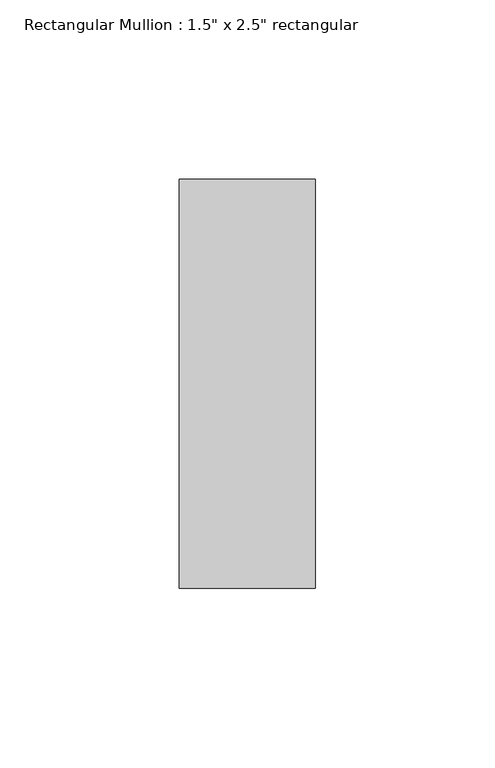
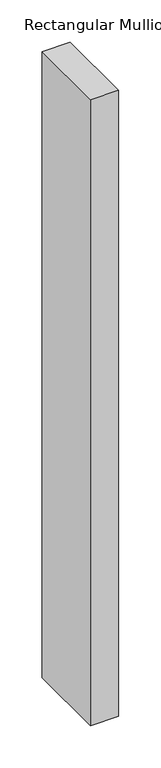
"""IFC4 building model written with IfcOpenShell, lengths in millimetres: member geometry."""

from ifc_helpers import new_model, si_unit, frame, origin, place, context, project, spatial, polyline, outline, extrude, source, transform, mapped, element, save


def member_f765b6a9(model_context):
    return source(origin(), model_context, "Body", "SweptSolid", [
        extrude(outline(polyline([(0.0, 57.15), (0.0, -57.15), (-38.1, -57.15), (-38.1, 57.15), (0.0, 57.15)])), frame((0.0, 0.0, -901.7), z_axis=(0.0, 0.0, 1.0), x_axis=(1.0, 0.0, 0.0)), (0.0, 0.0, 1.0), 901.7),
    ])


if __name__ == "__main__":
    model = new_model("IFC4")
    model_context = context("Model", 3, world=origin())
    ifc_project = project(units=[si_unit("LENGTHUNIT", "METRE", prefix="MILLI")], contexts=[model_context])
    site = spatial("IfcSite", under=ifc_project)
    building = spatial("IfcBuilding", under=site)
    placement = place(None, origin())
    member_shape = member_f765b6a9(model_context)
    element("IfcMember", 1, ObjectType="Rectangular Mullion : 1.5\" x 2.5\" rectangular", at=placement, inside=building, context=model_context, shape_type="MappedRepresentation", body=[
        mapped(member_shape, transform((0.0, 0.0, 0.0), x_axis=(1.0, 0.0, 0.0), y_axis=(0.0, 1.0, 0.0), z_axis=(0.0, 0.0, 1.0))),
    ])
    save(model, "model.ifc")
